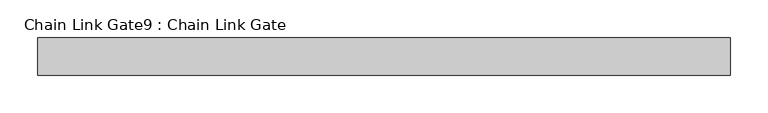
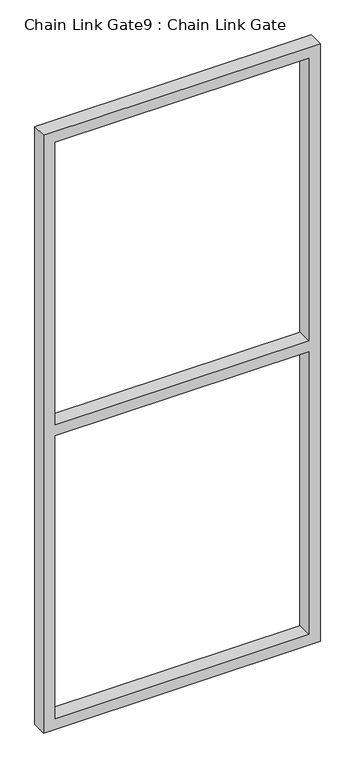
"""IFC4 building model written with IfcOpenShell, lengths in millimetres: proxy geometry, Chain Link Gate9 : Chain Link Gate."""

from ifc_helpers import new_model, si_unit, frame, origin, place, context, project, spatial, polyline, outline, extrude, source, transform, mapped, element, save


def chain_link_gate9_chain_link_gate_4a0933bb(model_context):
    return source(origin(), model_context, "Body", "SweptSolid", [
        extrude(outline(polyline([(2120.9, -22017.4118371), (12.7, -22017.4118371), (12.7, -21093.4868371), (2120.9, -21093.4868371), (2120.9, -22017.4118371)]), holes=[polyline([(2082.8, -21979.3118371), (2082.8, -21131.5868371), (1085.85, -21131.5868371), (1085.85, -21979.3118371), (2082.8, -21979.3118371)]), polyline([(1047.75, -21131.5868371), (50.8, -21131.5868371), (50.8, -21979.3118371), (1047.75, -21979.3118371), (1047.75, -21131.5868371)])]), frame((0.0, 726.8706482, 0.0), z_axis=(0.0, 1.0, 0.0), x_axis=(0.0, 0.0, 1.0)), (0.0, 0.0, 1.0), 50.1314753),
    ])


if __name__ == "__main__":
    model = new_model("IFC4")
    model_context = context("Model", 3, world=origin())
    ifc_project = project(units=[si_unit("LENGTHUNIT", "METRE", prefix="MILLI")], contexts=[model_context])
    site = spatial("IfcSite", under=ifc_project)
    building = spatial("IfcBuilding", under=site)
    placement = place(None, origin())
    chain_link_gate9_chain_link_gate_shape = chain_link_gate9_chain_link_gate_4a0933bb(model_context)
    element("IfcBuildingElementProxy", 1, Name="Chain Link Gate9 : Chain Link Gate", ObjectType="Chain Link Gate9 : Chain Link Gate", at=placement, inside=building, context=model_context, shape_type="MappedRepresentation", body=[
        mapped(chain_link_gate9_chain_link_gate_shape, transform((0.0, 0.0, 0.0), x_axis=(1.0, 0.0, 0.0), y_axis=(0.0, 1.0, 0.0), z_axis=(0.0, 0.0, 1.0))),
    ])
    save(model, "model.ifc")
